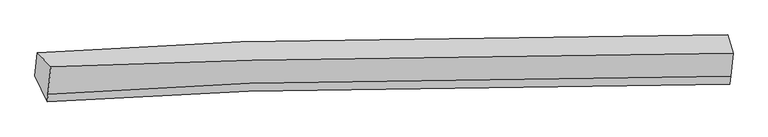
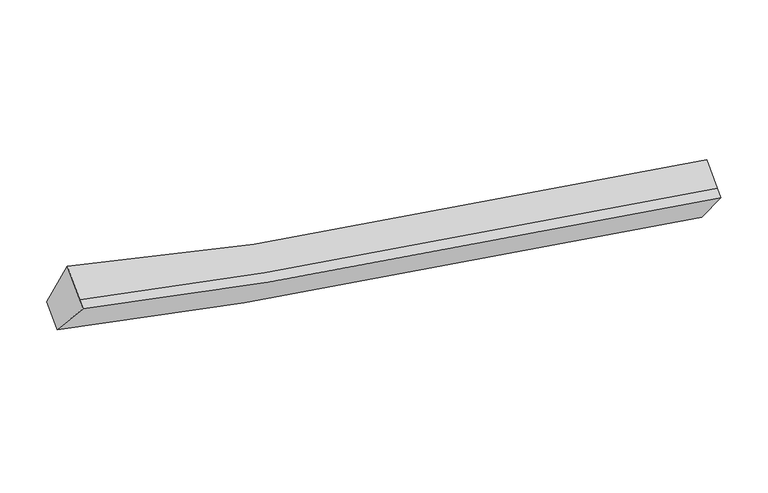
"""IFC4 building model written with IfcOpenShell, lengths in millimetres: proxy geometry."""

from ifc_helpers import new_model, si_unit, frame, origin, place, context, project, spatial, source, transform, mapped, element, save
from ifc_brep_helpers import plane_surface, spline_curve, spline_surface, advanced_brep


def generic_models_3f862778(model_context):
    return source(origin(), model_context, "Body", "AdvancedBrep", [
        advanced_brep(
        [(-4244.0088612, -1851.6325288, 3839.975524), (-4034.2868187, -2072.467128, 4510.0347909), (6546.2278712, -1861.1211358, 2520.9217626), (6463.1911798, -1578.4364875, 1866.6944067), (-4078.5087452, -2500.245249, 4203.6568937), (6508.8897968, -2222.308731, 2262.2364992), (-4090.2335597, -2613.6645298, 4122.4251545), (6496.295379, -2344.1400673, 2174.9799828), (-4280.9074863, -2208.5691392, 3584.3348478), (6426.4525293, -1933.825592, 1612.1620658)],
        [
            (0, 1),
            (1, 2, spline_curve(3, [(-4034.2868187, -2072.467128, 4510.0347909), (-3001.632072366, -2031.658359776, 4227.321262804), (-1963.677981032, -1996.754663733, 3969.993510925), (1539.00776413, -1899.392831245, 3191.256705346), (4027.891901992, -1863.847862943, 2785.546780659), (6546.2278712, -1861.1211358, 2520.9217626)], [4, 2, 4], [0.0, 10.592038750578872, 35.56238766601689])),
            (2, 3),
            (3, 0, spline_curve(3, [(6463.1911798, -1578.4364875, 1866.6944067), (3920.678983694, -1549.557486587, 2157.154149769), (1403.774496277, -1585.85338698, 2567.956955391), (-2144.29213677, -1730.366544075, 3324.406747421), (-3196.454329968, -1785.135991272, 3571.364314677), (-4244.0088612, -1851.6325288, 3839.975524)], [4, 2, 4], [0.0, 24.970348915438016, 35.56238766601689])),
            (1, 4),
            (4, 5, spline_curve(3, [(-4078.5087452, -2500.245249, 4203.6568937), (-3042.891190513, -2430.775933774, 3941.470264172), (-2002.653187192, -2373.778955039, 3699.965887481), (1505.421338417, -2224.289078019, 2958.563576928), (3994.316182481, -2188.640550767, 2552.927822535), (6508.8897968, -2222.308731, 2262.2364992)], [4, 2, 4], [0.0, 10.531530043632582, 35.35923186718866])),
            (5, 2),
            (4, 6),
            (6, 7, spline_curve(3, [(-4090.2335597, -2613.6645298, 4122.4251545), (-3054.976961399, -2547.686904839, 3857.737750111), (-2015.01812019, -2493.390385349, 3614.299284331), (1492.393748808, -2350.310671364, 2868.305967074), (3981.27788779, -2314.765702891, 2462.596042424), (6496.295379, -2344.1400673, 2174.9799828)], [4, 2, 4], [0.0, 10.5313097005639, 35.35849207329133])),
            (7, 5),
            (6, 8),
            (8, 9, spline_curve(3, [(-4280.9074863, -2208.5691392, 3584.3348478), (-3233.283747937, -2141.4031279, 3316.203120521), (-2181.068229813, -2086.117845437, 3069.614998495), (1367.124115556, -1940.388625456, 2314.036159546), (3884.028602429, -1904.092725097, 1903.233354162), (6426.4525293, -1933.825592, 1612.1620658)], [4, 2, 4], [0.0, 10.591733319073507, 35.561362190765614])),
            (9, 7),
            (8, 0),
            (3, 9),
        ],
        [
            spline_surface(3, 3, [[(-4244.0088612, -1851.6325288, 3839.975524), (-3196.454330132, -1785.135991211, 3571.364314631), (-2144.292136868, -1730.366544197, 3324.406747531), (1403.774496509, -1585.853386693, 2567.956955133), (3920.678983614, -1549.557486624, 2157.154149758), (6463.1911798, -1578.4364875, 1866.6944067)], [(-4174.101513729, -1925.244061873, 4063.328612958), (-3131.513577534, -1867.310114116, 3790.016630638), (-2084.087418209, -1819.162584085, 3539.602335372), (1448.852252235, -1690.36653473, 2775.723538429), (3956.416623164, -1654.320945363, 2366.618359995), (6490.870076928, -1672.664703623, 2084.770191987)], [(-4104.194166171, -1998.855594927, 4286.681701942), (-3066.572824849, -1949.484237002, 4008.668946669), (-2023.882699517, -1907.958624014, 3754.797923219), (1493.930007993, -1794.87968281, 2983.49012173), (3992.15426273, -1759.084404033, 2576.08257027), (6518.548974072, -1766.892919677, 2302.845977313)], [(-4034.2868187, -2072.467128, 4510.0347909), (-3001.632072252, -2031.658359908, 4227.321262676), (-1963.677980858, -1996.754663902, 3969.993511061), (1539.007763719, -1899.392830848, 3191.256705026), (4027.89190228, -1863.847862772, 2785.546780506), (6546.2278712, -1861.1211358, 2520.9217626)]], [4, 4], [4, 2, 4], [0.0, 2.338350678992911], [0.0, 10.592038750578872, 35.56238766601689]),
            spline_surface(3, 3, [[(-4034.2868187, -2072.467128, 4510.0347909), (-3001.632072252, -2031.658359908, 4227.321262676), (-1963.677980858, -1996.754663902, 3969.993511061), (1539.007763719, -1899.392830848, 3191.256705026), (4027.89190228, -1863.847862772, 2785.546780506), (6546.2278712, -1861.1211358, 2520.9217626)], [(-4049.02746086, -2215.059834986, 4407.908825185), (-3015.38511161, -2164.697551149, 4132.037596557), (-1976.66971627, -2122.42942764, 3879.984303129), (1527.812288581, -2007.691579878, 3113.692329089), (4016.699995656, -1972.112091998, 2708.007127912), (6533.781846421, -1981.517000864, 2434.693341472)], [(-4063.76810304, -2357.652542014, 4305.782859415), (-3029.138150987, -2297.736742433, 4036.753930382), (-1989.661451717, -2248.104191348, 3789.975095263), (1516.616813408, -2115.990328879, 3036.127953219), (4005.508088971, -2080.376321231, 2630.467475303), (6521.335821579, -2101.912865936, 2348.464920328)], [(-4078.5087452, -2500.245249, 4203.6568937), (-3042.891190346, -2430.775933673, 3941.470264264), (-2002.653187129, -2373.778955086, 3699.965887331), (1505.42133827, -2224.289077909, 2958.563577283), (3994.316182347, -2188.640550457, 2552.927822709), (6508.8897968, -2222.308731, 2262.2364992)]], [4, 4], [4, 2, 4], [0.0, 1.3726985642099163], [0.0, 10.531530043632582, 35.35923186718866]),
            spline_surface(3, 3, [[(-4078.5087452, -2500.245249, 4203.6568937), (-3042.891190346, -2430.775933673, 3941.470264264), (-2002.653187129, -2373.778955086, 3699.965887331), (1505.42133827, -2224.289077909, 2958.563577283), (3994.316182347, -2188.640550457, 2552.927822709), (6508.8897968, -2222.308731, 2262.2364992)], [(-4082.417016688, -2538.051675952, 4176.579647295), (-3046.919780655, -2469.746257438, 3913.559426236), (-2006.774831521, -2413.649431873, 3671.41035296), (1501.078808529, -2266.296275717, 2928.477707299), (3989.970084091, -2230.682268069, 2522.817229383), (6504.691657521, -2262.919176432, 2233.150993738)], [(-4086.325288212, -2575.858102848, 4149.502400905), (-3050.948371001, -2508.716581147, 3885.648588224), (-2010.896475903, -2453.5199086, 3642.854818592), (1496.736278797, -2308.303473465, 2898.391837318), (3985.623985872, -2272.723985686, 2492.706636041), (6500.493518279, -2303.529621868, 2204.065488262)], [(-4090.2335597, -2613.6645298, 4122.4251545), (-3054.976961309, -2547.686904911, 3857.737750196), (-2015.018120295, -2493.390385387, 3614.299284221), (1492.393749055, -2350.310671273, 2868.305967333), (3981.277887616, -2314.765703297, 2462.596042714), (6496.295379, -2344.1400673, 2174.9799828)]], [4, 4], [4, 2, 4], [0.0, 0.5034411559337307], [0.0, 10.5313097005639, 35.35849207329133]),
            spline_surface(3, 3, [[(-4090.2335597, -2613.6645298, 4122.4251545), (-3054.976961309, -2547.686904911, 3857.737750196), (-2015.018120295, -2493.390385387, 3614.299284221), (1492.393749055, -2350.310671273, 2868.305967333), (3981.277887616, -2314.765703297, 2462.596042714), (6496.295379, -2344.1400673, 2174.9799828)], [(-4153.791535248, -2478.632732923, 3943.061718926), (-3114.412556829, -2412.258979248, 3677.226206951), (-2070.368156769, -2357.632872128, 3432.737855663), (1450.637204441, -2213.669989198, 2683.549364765), (3948.861459178, -2177.874710521, 2276.141813205), (6473.014429116, -2207.36857553, 1987.374010465)], [(-4217.349510752, -2343.600936077, 3763.698283374), (-3173.848152304, -2276.831053617, 3496.714663728), (-2125.718193208, -2221.87535887, 3251.176427044), (1408.880659862, -2077.029307123, 2498.792762136), (3916.445030691, -2040.983717755, 2089.687583702), (6449.733479184, -2070.59708377, 1799.768038135)], [(-4280.9074863, -2208.5691392, 3584.3348478), (-3233.283747824, -2141.403127955, 3316.203120483), (-2181.068229682, -2086.11784561, 3069.614998486), (1367.124115247, -1940.388625047, 2314.036159567), (3884.028602252, -1904.092724979, 1903.233354193), (6426.4525293, -1933.825592, 1612.1620658)]], [4, 4], [4, 2, 4], [0.0, 2.296765354301955], [0.0, 10.591733319073507, 35.561362190765614]),
            spline_surface(3, 3, [[(-4280.9074863, -2208.5691392, 3584.3348478), (-3233.283747824, -2141.403127955, 3316.203120483), (-2181.068229682, -2086.11784561, 3069.614998486), (1367.124115247, -1940.388625047, 2314.036159567), (3884.028602252, -1904.092724979, 1903.233354193), (6426.4525293, -1933.825592, 1612.1620658)], [(-4268.607944575, -2089.590269067, 3669.548406536), (-3221.007275235, -2022.647415707, 3401.256851868), (-2168.809532063, -1967.534078457, 3154.545581506), (1379.340909016, -1822.210212247, 2398.67642476), (3896.245396021, -1785.914312178, 1987.873619386), (6438.698746115, -1815.362557151, 1697.006179438)], [(-4256.308402925, -1970.611398933, 3754.761965264), (-3208.730802721, -1903.891703459, 3486.310583246), (-2156.550834488, -1848.95031135, 3239.476164511), (1391.55770274, -1704.031799493, 2483.31668994), (3908.462189846, -1667.735899424, 2072.513884565), (6450.944962985, -1696.899522349, 1781.850293062)], [(-4244.0088612, -1851.6325288, 3839.975524), (-3196.454330132, -1785.135991211, 3571.364314631), (-2144.292136868, -1730.366544197, 3324.406747531), (1403.774496509, -1585.853386693, 2567.956955133), (3920.678983614, -1549.557486624, 2157.154149758), (6463.1911798, -1578.4364875, 1866.6944067)]], [4, 4], [4, 2, 4], [0.0, 1.437103497008502], [0.0, 10.652112324685744, 35.76408252204779]),
            plane_surface(frame((6483.0417398, -1929.3808206, 2043.6895545), z_axis=(0.991479202595358, -0.009443668410836867, -0.1299223150494913), x_axis=(-0.09977549950256888, 0.5861635361582039, -0.8040255957228744))),
            plane_surface(frame((-4162.3591815, -2186.5833314, 4014.1925793), z_axis=(-0.9585348852340962, -0.09367107830532066, 0.26914048911001204), x_axis=(-0.08374867473517922, -0.8101377203941469, -0.5802267086877992))),
        ],
        [
            (0, [[1, 2, 3, 4]]),
            (1, [[5, 6, 7, -2]]),
            (2, [[8, 9, 10, -6]]),
            (3, [[11, 12, 13, -9]]),
            (4, [[14, -4, 15, -12]]),
            (5, [[-13, -15, -3, -7, -10]]),
            (6, [[-14, -11, -8, -5, -1]]),
        ],
    ),
    ])


if __name__ == "__main__":
    model = new_model("IFC4")
    model_context = context("Model", 3, world=origin())
    ifc_project = project(units=[si_unit("LENGTHUNIT", "METRE", prefix="MILLI")], contexts=[model_context])
    site = spatial("IfcSite", under=ifc_project)
    building = spatial("IfcBuilding", under=site)
    placement = place(None, origin())
    generic_models_shape = generic_models_3f862778(model_context)
    element("IfcBuildingElementProxy", 1, Name="Generic Models", at=placement, inside=building, context=model_context, shape_type="MappedRepresentation", body=[
        mapped(generic_models_shape, transform((0.0, 0.0, 0.0), x_axis=(1.0, 0.0, 0.0), y_axis=(0.0, 1.0, 0.0), z_axis=(0.0, 0.0, 1.0))),
    ])
    save(model, "model.ifc")
